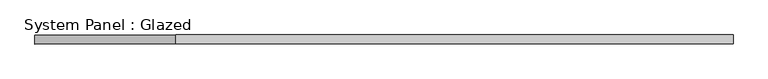
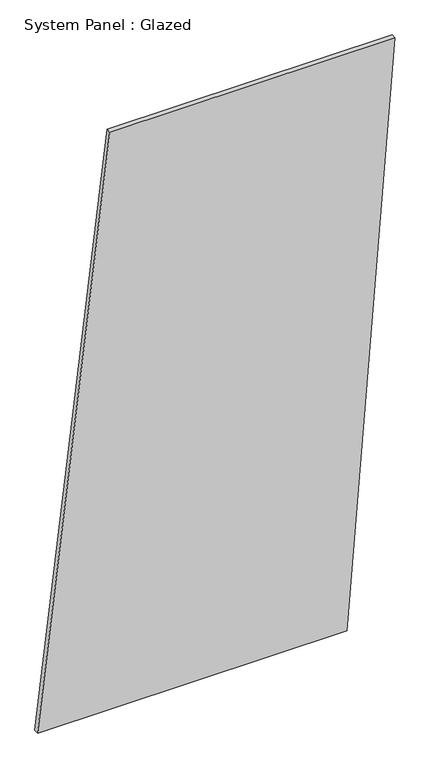
"""IFC4 building model written with IfcOpenShell, lengths in millimetres: plate geometry, System Panel : Glazed."""

from ifc_helpers import new_model, si_unit, frame, origin, place, context, project, spatial, polyline, outline, extrude, source, transform, mapped, element, save


def system_panel_glazed_cbac8c42(model_context):
    return source(origin(), model_context, "Body", "SweptSolid", [
        extrude(outline(polyline([(0.0, -977.3822751), (0.0, 714.0507654), (3331.8378669, 977.3822751), (3331.8378669, -582.3850105), (0.0, -977.3822751)])), frame((0.0, -49.5, 0.0), z_axis=(0.0, 1.0, 0.0), x_axis=(0.0, 0.0, 1.0)), (0.0, 0.0, 1.0), 25.0),
    ])


if __name__ == "__main__":
    model = new_model("IFC4")
    model_context = context("Model", 3, world=origin())
    ifc_project = project(units=[si_unit("LENGTHUNIT", "METRE", prefix="MILLI")], contexts=[model_context])
    site = spatial("IfcSite", under=ifc_project)
    building = spatial("IfcBuilding", under=site)
    placement = place(None, origin())
    system_panel_glazed_shape = system_panel_glazed_cbac8c42(model_context)
    element("IfcPlate", 1, ObjectType="System Panel : Glazed", at=placement, inside=building, context=model_context, shape_type="MappedRepresentation", body=[
        mapped(system_panel_glazed_shape, transform((0.0, 0.0, 0.0), x_axis=(1.0, 0.0, 0.0), y_axis=(0.0, 1.0, 0.0), z_axis=(0.0, 0.0, 1.0))),
    ])
    save(model, "model.ifc")
